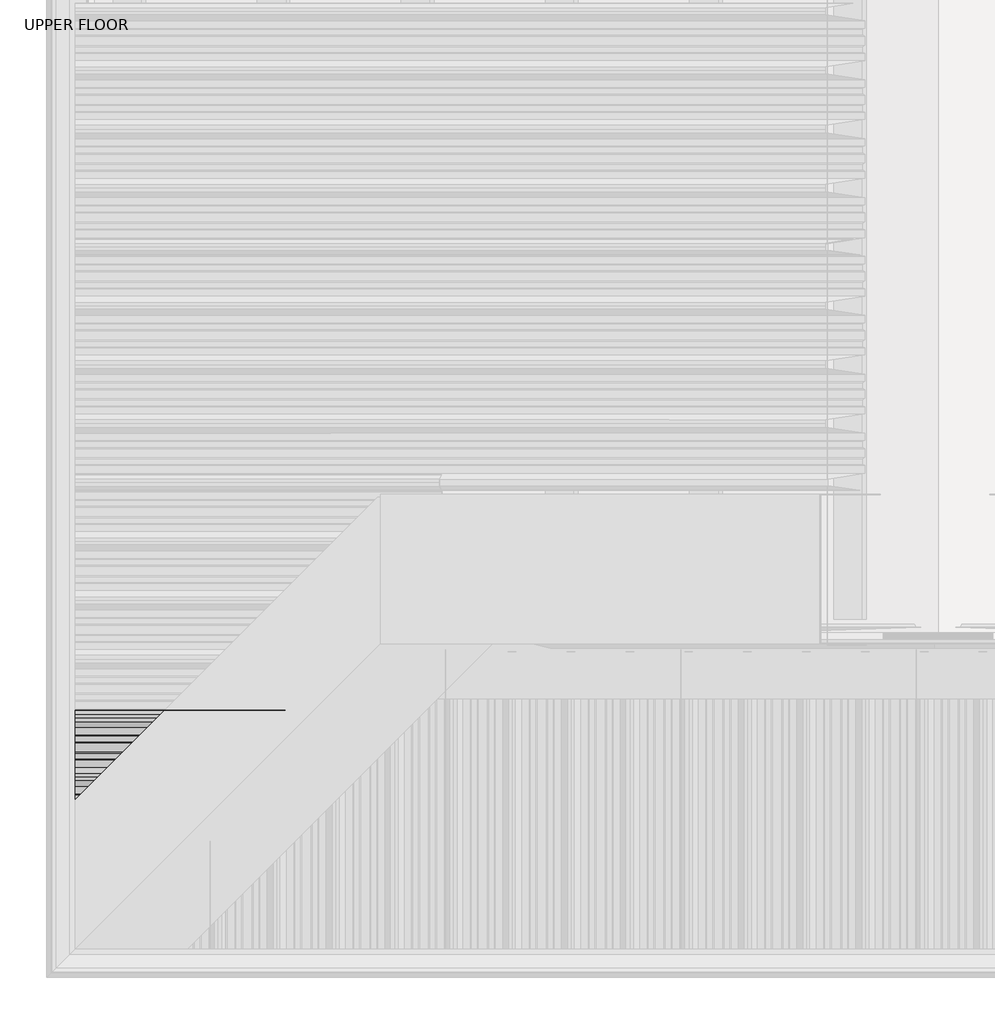
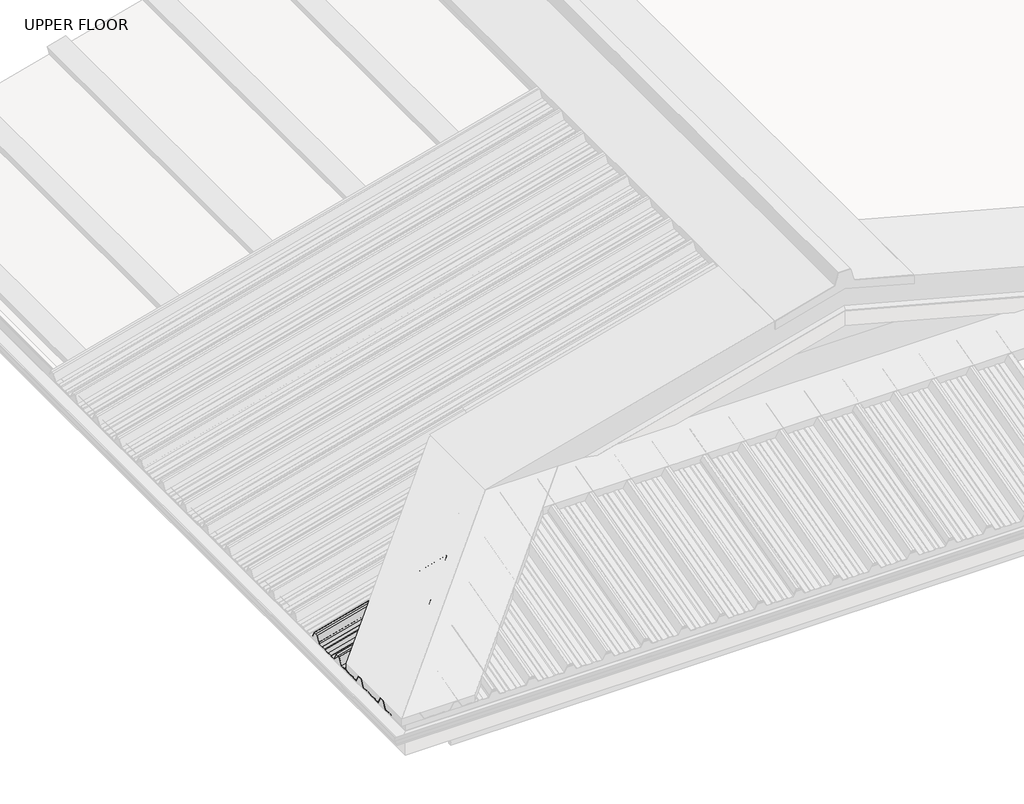
# One storey, part 2 of 21: 1 beam.
"""IFC4 building model written with IfcOpenShell, lengths in millimetres."""

from ifc_helpers import new_model, si_unit, frame, origin, place, context, project, spatial, ellipse_curve, element, save
from ifc_brep_helpers import plane_surface, cylinder_surface, advanced_brep

model = new_model("IFC4")

# Units and contexts
model_context = context("Model", 3, world=origin())
ifc_project = project(units=[si_unit("LENGTHUNIT", "METRE", prefix="MILLI")], contexts=[model_context])

# Site, building, storey
site = spatial("IfcSite", under=ifc_project)
building = spatial("IfcBuilding", under=site)
storey = spatial("IfcBuildingStorey", under=building, Name="UPPER FLOOR", Elevation=2700.0)

# Beam
placement = place(None, origin())
element("IfcBeam", 1, ObjectType="MC700", at=placement, inside=storey, context=model_context, shape_type="AdvancedBrep", body=[
    advanced_brep(
    [(-263.0224112, -4244.795044, 3349.1916307), (-267.402729, -4249.1753617, 3350.1301258), (-592.3448479, -4249.1753617, 3263.0621475), (-592.3448479, -4244.795044, 3260.9499498), (-235.9643895, -4217.7370223, 3356.4418058), (-592.3448479, -4217.7370223, 3260.9499498), (-231.5840718, -4213.3567046, 3359.7277061), (-592.3448479, -4213.3567046, 3263.0621475), (-215.1560805, -4196.9287133, 3364.1295731), (-592.3448479, -4196.9287133, 3263.0621475), (-211.9410364, -4193.7136691, 3362.8788439), (-592.3448479, -4193.7136691, 3260.9499498), (-189.2433988, -4171.0160316, 3368.9606575), (-592.3448479, -4171.0160316, 3260.9499498), (-171.1688888, -4152.9415216, 3405.8972695), (-592.3448479, -4152.9415216, 3293.0435114), (-160.7434004, -4142.5160332, 3408.6907707), (-592.3448479, -4142.5160332, 3293.0435114), (-150.317912, -4132.0905447, 3411.4842719), (-592.3448479, -4132.0905447, 3293.0435114), (-132.243402, -4114.0160347, 3384.2337607), (-592.3448479, -4114.0160347, 3260.9499498), (-109.5457644, -4091.3183972, 3390.3155743), (-592.3448479, -4091.3183972, 3260.9499498), (-106.3307202, -4088.103353, 3393.2892405), (-592.3448479, -4088.103353, 3263.0621475), (-89.902729, -4071.6753617, 3397.6911075), (-592.3448479, -4071.6753617, 3263.0621475), (-85.5224112, -4067.295044, 3396.7526124), (-592.3448479, -4067.295044, 3260.9499498), (-58.4643895, -4040.2370223, 3404.0027875), (-592.3448479, -4040.2370223, 3260.9499498), (-54.0840718, -4035.8567046, 3407.2886878), (-592.3448479, -4035.8567046, 3263.0621475), (-37.6560805, -4019.4287133, 3411.6905547), (-592.3448479, -4019.4287133, 3263.0621475), (-34.4410364, -4016.2136691, 3410.4398255), (-592.3448479, -4016.2136691, 3260.9499498), (-11.7433988, -3993.5160316, 3416.5216392), (-592.3448479, -3993.5160316, 3260.9499498), (6.3311112, -3975.4415216, 3453.4582511), (-592.3448479, -3975.4415216, 3293.0435114), (16.7565996, -3965.0160332, 3456.2517523), (-592.3448479, -3965.0160332, 3293.0435114), (27.182088, -3954.5905447, 3459.0452535), (-592.3448479, -3954.5905447, 3293.0435114), (39.4849027, -3942.2877301, 3440.4965909), (-592.3448479, -3942.2877301, 3271.1983195), (40.3487886, -3941.4238442, 3441.2495242), (-592.3448479, -3941.4238442, 3271.7197752), (27.7565996, -3954.0160332, 3460.2344696), (-592.3448479, -3954.0160332, 3294.0787875), (16.7565996, -3965.0160332, 3457.2870285), (-592.3448479, -3965.0160332, 3294.0787875), (5.7565996, -3976.0160332, 3454.3395874), (-592.3448479, -3976.0160332, 3294.0787875), (-12.3179104, -3994.0905432, 3417.4029755), (-592.3448479, -3994.0905432, 3261.985226), (-34.1505219, -4015.9231546, 3411.5529448), (-592.3448479, -4015.9231546, 3261.985226), (-37.365566, -4019.1381988, 3412.8036741), (-592.3448479, -4019.1381988, 3264.0974237), (-54.3055353, -4036.0781681, 3408.264623), (-592.3448479, -4036.0781681, 3264.0974237), (-58.685853, -4040.4584858, 3404.9787227), (-592.3448479, -4040.4584858, 3261.985226), (-85.3009477, -4067.0735805, 3397.8472295), (-592.3448479, -4067.0735805, 3261.985226), (-89.6812654, -4071.4538982, 3398.7857246), (-592.3448479, -4071.4538982, 3264.0974237), (-106.6212347, -4088.3938675, 3394.2466736), (-592.3448479, -4088.3938675, 3264.0974237), (-109.8362789, -4091.6089117, 3391.2730074), (-592.3448479, -4091.6089117, 3261.985226), (-131.6688904, -4113.4415232, 3385.4229767), (-592.3448479, -4113.4415232, 3261.985226), (-149.7434004, -4131.5160332, 3412.673488), (-592.3448479, -4131.5160332, 3294.0787875), (-160.7434004, -4142.5160332, 3409.7260469), (-592.3448479, -4142.5160332, 3294.0787875), (-171.7434004, -4153.5160332, 3406.7786057), (-592.3448479, -4153.5160332, 3294.0787875), (-189.8179104, -4171.5905432, 3369.8419938), (-592.3448479, -4171.5905432, 3261.985226), (-211.6505219, -4193.4231546, 3363.9919632), (-592.3448479, -4193.4231546, 3261.985226), (-214.865566, -4196.6381988, 3365.2426924), (-592.3448479, -4196.6381988, 3264.0974237), (-231.8055353, -4213.5781681, 3360.7036413), (-592.3448479, -4213.5781681, 3264.0974237), (-236.185853, -4217.9584858, 3357.417741), (-592.3448479, -4217.9584858, 3261.985226), (-262.8009477, -4244.5735805, 3350.2862479), (-592.3448479, -4244.5735805, 3261.985226), (-267.1812654, -4248.9538982, 3351.224743), (-592.3448479, -4248.9538982, 3264.0974237), (-284.1212347, -4265.8938675, 3346.6856919), (-592.3448479, -4265.8938675, 3264.0974237), (-287.3362789, -4269.1089117, 3343.7120257), (-592.3448479, -4269.1089117, 3261.985226), (-309.1688904, -4290.9415232, 3337.8619951), (-592.3448479, -4290.9415232, 3261.985226), (-327.2434004, -4309.0160332, 3365.1125063), (-592.3448479, -4309.0160332, 3294.0787875), (-338.2434004, -4320.0160332, 3362.1650652), (-592.3448479, -4320.0160332, 3294.0787875), (-349.2434004, -4331.0160332, 3359.2176241), (-592.3448479, -4331.0160332, 3294.0787875), (-367.3179104, -4349.0905432, 3322.2810121), (-592.3448479, -4349.0905432, 3261.985226), (-389.1505219, -4370.9231546, 3316.4309815), (-592.3448479, -4370.9231546, 3261.985226), (-392.365566, -4374.1381988, 3317.6817107), (-592.3448479, -4374.1381988, 3264.0974237), (-409.3055353, -4391.0781681, 3313.1426596), (-592.3448479, -4391.0781681, 3264.0974237), (-413.685853, -4395.4584858, 3309.8567594), (-592.3448479, -4395.4584858, 3261.985226), (-440.3009477, -4422.0735805, 3302.7252662), (-592.3448479, -4422.0735805, 3261.985226), (-444.6812654, -4426.4538982, 3303.6637613), (-592.3448479, -4426.4538982, 3264.0974237), (-461.6212347, -4443.3938675, 3299.1247102), (-592.3448479, -4443.3938675, 3264.0974237), (-464.8362789, -4446.6089117, 3296.151044), (-592.3448479, -4446.6089117, 3261.985226), (-486.6688904, -4468.4415232, 3290.3010134), (-592.3448479, -4468.4415232, 3261.985226), (-504.7434004, -4486.5160332, 3317.5515247), (-592.3448479, -4486.5160332, 3294.0787875), (-515.7434004, -4497.5160332, 3314.6040836), (-592.3448479, -4497.5160332, 3294.0787875), (-526.7434004, -4508.5160332, 3311.6566424), (-592.3448479, -4508.5160332, 3294.0787875), (-544.8179104, -4526.5905432, 3274.7200305), (-592.3448479, -4526.5905432, 3261.985226), (-566.6505219, -4548.4231546, 3268.8699999), (-592.3448479, -4548.4231546, 3261.985226), (-569.865566, -4551.6381988, 3270.1207291), (-592.3448479, -4551.6381988, 3264.0974237), (-586.8055353, -4568.5781681, 3265.581678), (-592.3448479, -4568.5781681, 3264.0974237), (-591.185853, -4572.9584858, 3262.2957777), (-592.3448479, -4572.9584858, 3261.985226), (-592.3448479, -4574.1174807, 3261.985226), (-590.9643895, -4572.7370223, 3261.3198425), (-592.3448479, -4574.1174807, 3260.9499498), (-592.3448479, -4572.7370223, 3260.9499498), (-586.5840718, -4568.3567046, 3264.6057428), (-592.3448479, -4568.3567046, 3263.0621475), (-570.1560805, -4551.9287133, 3269.0076098), (-592.3448479, -4551.9287133, 3263.0621475), (-566.9410364, -4548.7136691, 3267.7568806), (-592.3448479, -4548.7136691, 3260.9499498), (-544.2433988, -4526.0160316, 3273.8386942), (-592.3448479, -4526.0160316, 3260.9499498), (-526.1688888, -4507.9415216, 3310.7753062), (-592.3448479, -4507.9415216, 3293.0435114), (-515.7434004, -4497.5160332, 3313.5688074), (-592.3448479, -4497.5160332, 3293.0435114), (-505.317912, -4487.0905447, 3316.3623086), (-592.3448479, -4487.0905447, 3293.0435114), (-487.243402, -4469.0160347, 3289.1117973), (-592.3448479, -4469.0160347, 3260.9499498), (-464.5457644, -4446.3183972, 3295.193611), (-592.3448479, -4446.3183972, 3260.9499498), (-461.3307202, -4443.103353, 3298.1672772), (-592.3448479, -4443.103353, 3263.0621475), (-444.902729, -4426.6753617, 3302.5691442), (-592.3448479, -4426.6753617, 3263.0621475), (-440.5224112, -4422.295044, 3301.6306491), (-592.3448479, -4422.295044, 3260.9499498), (-413.4643895, -4395.2370223, 3308.8808241), (-592.3448479, -4395.2370223, 3260.9499498), (-409.0840718, -4390.8567046, 3312.1667244), (-592.3448479, -4390.8567046, 3263.0621475), (-392.6560805, -4374.4287133, 3316.5685914), (-592.3448479, -4374.4287133, 3263.0621475), (-389.4410364, -4371.2136691, 3315.3178622), (-592.3448479, -4371.2136691, 3260.9499498), (-366.7433988, -4348.5160316, 3321.3996759), (-592.3448479, -4348.5160316, 3260.9499498), (-348.6688888, -4330.4415216, 3358.3362878), (-592.3448479, -4330.4415216, 3293.0435114), (-338.2434004, -4320.0160332, 3361.129789), (-592.3448479, -4320.0160332, 3293.0435114), (-327.817912, -4309.5905447, 3363.9232902), (-592.3448479, -4309.5905447, 3293.0435114), (-309.743402, -4291.5160347, 3336.672779), (-592.3448479, -4291.5160347, 3260.9499498), (-287.0457644, -4268.8183972, 3342.7545926), (-592.3448479, -4268.8183972, 3260.9499498), (-283.8307202, -4265.603353, 3345.7282588), (-592.3448479, -4265.603353, 3263.0621475)],
    [
        (0, 1),
        (1, 2),
        (2, 3),
        (3, 0),
        (4, 0),
        (3, 5),
        (5, 4),
        (6, 4),
        (5, 7),
        (7, 6),
        (8, 6),
        (7, 9),
        (9, 8),
        (10, 8),
        (9, 11),
        (11, 10),
        (12, 10),
        (11, 13),
        (13, 12),
        (14, 12),
        (13, 15),
        (15, 14),
        (16, 14),
        (15, 17),
        (17, 16),
        (18, 16),
        (17, 19),
        (19, 18),
        (20, 18),
        (19, 21),
        (21, 20),
        (22, 20),
        (21, 23),
        (23, 22),
        (24, 22),
        (23, 25),
        (25, 24),
        (26, 24),
        (25, 27),
        (27, 26),
        (28, 26),
        (27, 29),
        (29, 28),
        (30, 28),
        (29, 31),
        (31, 30),
        (32, 30),
        (31, 33),
        (33, 32),
        (34, 32),
        (33, 35),
        (35, 34),
        (36, 34),
        (35, 37),
        (37, 36),
        (38, 36),
        (37, 39),
        (39, 38),
        (40, 38),
        (39, 41),
        (41, 40),
        (42, 40),
        (41, 43),
        (43, 42),
        (44, 42),
        (43, 45),
        (45, 44),
        (46, 44),
        (45, 47),
        (47, 46),
        (48, 46, ellipse_curve(frame((39.9168456, -3941.8557872, 3440.8730576), z_axis=(-0.7071067811865475, 0.7071067811865476, 0.0), x_axis=(0.6612248329466448, 0.6612248329466447, 0.3543493200069156)), 0.7320508, 0.5)),
        (47, 49, ellipse_curve(frame((-592.3448479, -3941.8557872, 3271.4590474), z_axis=(1.0, 0.0, 0.0), x_axis=(0.0, 0.0, 1.0)), 0.5176381, 0.5)),
        (49, 48),
        (50, 48),
        (49, 51),
        (51, 50),
        (52, 50),
        (51, 53),
        (53, 52),
        (54, 52),
        (53, 55),
        (55, 54),
        (56, 54),
        (55, 57),
        (57, 56),
        (58, 56),
        (57, 59),
        (59, 58),
        (60, 58),
        (59, 61),
        (61, 60),
        (62, 60),
        (61, 63),
        (63, 62),
        (64, 62),
        (63, 65),
        (65, 64),
        (66, 64),
        (65, 67),
        (67, 66),
        (68, 66),
        (67, 69),
        (69, 68),
        (70, 68),
        (69, 71),
        (71, 70),
        (72, 70),
        (71, 73),
        (73, 72),
        (74, 72),
        (73, 75),
        (75, 74),
        (76, 74),
        (75, 77),
        (77, 76),
        (78, 76),
        (77, 79),
        (79, 78),
        (80, 78),
        (79, 81),
        (81, 80),
        (82, 80),
        (81, 83),
        (83, 82),
        (84, 82),
        (83, 85),
        (85, 84),
        (86, 84),
        (85, 87),
        (87, 86),
        (88, 86),
        (87, 89),
        (89, 88),
        (90, 88),
        (89, 91),
        (91, 90),
        (92, 90),
        (91, 93),
        (93, 92),
        (94, 92),
        (93, 95),
        (95, 94),
        (96, 94),
        (95, 97),
        (97, 96),
        (98, 96),
        (97, 99),
        (99, 98),
        (100, 98),
        (99, 101),
        (101, 100),
        (102, 100),
        (101, 103),
        (103, 102),
        (104, 102),
        (103, 105),
        (105, 104),
        (106, 104),
        (105, 107),
        (107, 106),
        (108, 106),
        (107, 109),
        (109, 108),
        (110, 108),
        (109, 111),
        (111, 110),
        (112, 110),
        (111, 113),
        (113, 112),
        (114, 112),
        (113, 115),
        (115, 114),
        (116, 114),
        (115, 117),
        (117, 116),
        (118, 116),
        (117, 119),
        (119, 118),
        (120, 118),
        (119, 121),
        (121, 120),
        (122, 120),
        (121, 123),
        (123, 122),
        (124, 122),
        (123, 125),
        (125, 124),
        (126, 124),
        (125, 127),
        (127, 126),
        (128, 126),
        (127, 129),
        (129, 128),
        (130, 128),
        (129, 131),
        (131, 130),
        (132, 130),
        (131, 133),
        (133, 132),
        (134, 132),
        (133, 135),
        (135, 134),
        (136, 134),
        (135, 137),
        (137, 136),
        (138, 136),
        (137, 139),
        (139, 138),
        (140, 138),
        (139, 141),
        (141, 140),
        (142, 140),
        (141, 143),
        (143, 142),
        (144, 142),
        (143, 144),
        (145, 146),
        (146, 147),
        (147, 145),
        (148, 145),
        (147, 149),
        (149, 148),
        (150, 148),
        (149, 151),
        (151, 150),
        (152, 150),
        (151, 153),
        (153, 152),
        (154, 152),
        (153, 155),
        (155, 154),
        (156, 154),
        (155, 157),
        (157, 156),
        (158, 156),
        (157, 159),
        (159, 158),
        (160, 158),
        (159, 161),
        (161, 160),
        (162, 160),
        (161, 163),
        (163, 162),
        (164, 162),
        (163, 165),
        (165, 164),
        (166, 164),
        (165, 167),
        (167, 166),
        (168, 166),
        (167, 169),
        (169, 168),
        (170, 168),
        (169, 171),
        (171, 170),
        (172, 170),
        (171, 173),
        (173, 172),
        (174, 172),
        (173, 175),
        (175, 174),
        (176, 174),
        (175, 177),
        (177, 176),
        (178, 176),
        (177, 179),
        (179, 178),
        (180, 178),
        (179, 181),
        (181, 180),
        (182, 180),
        (181, 183),
        (183, 182),
        (184, 182),
        (183, 185),
        (185, 184),
        (186, 184),
        (185, 187),
        (187, 186),
        (188, 186),
        (187, 189),
        (189, 188),
        (190, 188),
        (189, 191),
        (191, 190),
        (192, 190),
        (191, 193),
        (193, 192),
        (1, 192),
        (193, 2),
        (144, 146),
    ],
    [
        plane_surface(frame((513.819248, -4249.1753617, 3559.4579237), z_axis=(0.23461789175161546, -0.422218860422444, -0.8756058923817268), x_axis=(-0.9659258262890683, 0.0, -0.2588190451025208))),
        plane_surface(frame((514.3472974, -4244.795044, 3557.4872164), z_axis=(0.2588190451025208, 0.0, -0.9659258262890683), x_axis=(-0.9659258262890683, 0.0, -0.2588190451025208))),
        plane_surface(frame((514.3472974, -4217.7370223, 3557.4872164), z_axis=(0.23461789175161712, 0.42221886042244255, -0.8756058923817271), x_axis=(-0.9659258262890683, 0.0, -0.2588190451025208))),
        plane_surface(frame((513.819248, -4213.3567046, 3559.4579237), z_axis=(0.2588190451025208, 0.0, -0.9659258262890683), x_axis=(-0.9659258262890683, 0.0, -0.2588190451025208))),
        plane_surface(frame((513.819248, -4196.9287133, 3559.4579237), z_axis=(0.2185313076918756, -0.5358075541289601, -0.8155699433505507), x_axis=(-0.9659258262890683, 0.0, -0.2588190451025208))),
        plane_surface(frame((514.3472974, -4193.7136691, 3557.4872164), z_axis=(0.2588190451025208, 0.0, -0.9659258262890683), x_axis=(-0.9659258262890683, 0.0, -0.2588190451025208))),
        plane_surface(frame((514.3472974, -4171.0160316, 3557.4872164), z_axis=(0.1303639327417885, 0.8638858976217884, -0.4865248204668407), x_axis=(-0.9659258262890683, 0.0, -0.2588190451025208))),
        plane_surface(frame((506.323907, -4152.9415216, 3587.430917), z_axis=(0.2588190451025208, 0.0, -0.9659258262890683), x_axis=(-0.9659258262890683, 0.0, -0.2588190451025208))),
        plane_surface(frame((506.323907, -4142.5160332, 3587.430917), z_axis=(0.2588190451025208, 0.0, -0.9659258262890683), x_axis=(-0.9659258262890683, 0.0, -0.2588190451025208))),
        plane_surface(frame((506.323907, -4132.0905447, 3587.430917), z_axis=(0.13036393274178268, -0.8638858976217949, -0.48652482046683065), x_axis=(-0.9659258262890683, 0.0, -0.2588190451025208))),
        plane_surface(frame((514.3472974, -4114.0160347, 3557.4872164), z_axis=(0.2588190451025208, 0.0, -0.9659258262890683), x_axis=(-0.9659258262890683, 0.0, -0.2588190451025208))),
        plane_surface(frame((514.3472974, -4091.3183972, 3557.4872164), z_axis=(0.2185313076918808, 0.5358075541289394, -0.8155699433505629), x_axis=(-0.9659258262890683, 0.0, -0.2588190451025208))),
        plane_surface(frame((513.819248, -4088.103353, 3559.4579237), z_axis=(0.2588190451025208, 0.0, -0.9659258262890683), x_axis=(-0.9659258262890683, 0.0, -0.2588190451025208))),
        plane_surface(frame((513.819248, -4071.6753617, 3559.4579237), z_axis=(0.23461789175161585, -0.42221886042244117, -0.8756058923817281), x_axis=(-0.9659258262890683, 0.0, -0.2588190451025208))),
        plane_surface(frame((514.3472974, -4067.295044, 3557.4872164), z_axis=(0.2588190451025208, 0.0, -0.9659258262890683), x_axis=(-0.9659258262890683, 0.0, -0.2588190451025208))),
        plane_surface(frame((514.3472974, -4040.2370223, 3557.4872164), z_axis=(0.23461789175161712, 0.42221886042244255, -0.8756058923817271), x_axis=(-0.9659258262890683, 0.0, -0.2588190451025208))),
        plane_surface(frame((513.819248, -4035.8567046, 3559.4579237), z_axis=(0.2588190451025208, 0.0, -0.9659258262890683), x_axis=(-0.9659258262890683, 0.0, -0.2588190451025208))),
        plane_surface(frame((513.819248, -4019.4287133, 3559.4579237), z_axis=(0.2185313076918756, -0.5358075541289601, -0.8155699433505507), x_axis=(-0.9659258262890683, 0.0, -0.2588190451025208))),
        plane_surface(frame((514.3472974, -4016.2136691, 3557.4872164), z_axis=(0.2588190451025208, 0.0, -0.9659258262890683), x_axis=(-0.9659258262890683, 0.0, -0.2588190451025208))),
        plane_surface(frame((514.3472974, -3993.5160316, 3557.4872164), z_axis=(0.1303639327417885, 0.8638858976217884, -0.4865248204668407), x_axis=(-0.9659258262890683, 0.0, -0.2588190451025208))),
        plane_surface(frame((506.323907, -3975.4415216, 3587.430917), z_axis=(0.2588190451025208, 0.0, -0.9659258262890683), x_axis=(-0.9659258262890683, 0.0, -0.2588190451025208))),
        plane_surface(frame((506.323907, -3965.0160332, 3587.430917), z_axis=(0.2588190451025208, 0.0, -0.9659258262890683), x_axis=(-0.9659258262890683, 0.0, -0.2588190451025208))),
        plane_surface(frame((506.323907, -3954.5905447, 3587.430917), z_axis=(0.13036393274178507, -0.8638858976217895, -0.4865248204668396), x_axis=(-0.9659258262890683, 0.0, -0.2588190451025208))),
        cylinder_surface(frame((-604.0221534, -3941.8557872, 3268.3301228), z_axis=(0.9659258262890683, 0.0, 0.2588190451025208), x_axis=(0.0, 1.0, 0.0)), 0.5),
        plane_surface(frame((511.654841, -3941.4238442, 3567.5356003), z_axis=(-0.13036393274177616, 0.8638858976218096, 0.48652482046680634), x_axis=(-0.9659258262890683, 0.0, -0.2588190451025208))),
        plane_surface(frame((506.0650879, -3954.0160332, 3588.3968428), z_axis=(-0.2588190451025208, 0.0, 0.9659258262890683), x_axis=(-0.9659258262890683, 0.0, -0.2588190451025208))),
        plane_surface(frame((506.0650879, -3965.0160332, 3588.3968428), z_axis=(-0.2588190451025208, 0.0, 0.9659258262890683), x_axis=(-0.9659258262890683, 0.0, -0.2588190451025208))),
        plane_surface(frame((506.0650879, -3976.0160332, 3588.3968428), z_axis=(-0.1303639327417885, -0.8638858976217884, 0.4865248204668407), x_axis=(-0.9659258262890683, 0.0, -0.2588190451025208))),
        plane_surface(frame((514.0884783, -3994.0905432, 3558.4531422), z_axis=(-0.2588190451025208, 0.0, 0.9659258262890683), x_axis=(-0.9659258262890683, 0.0, -0.2588190451025208))),
        plane_surface(frame((514.0884783, -4015.9231546, 3558.4531422), z_axis=(-0.21853130769187823, 0.535807554128944, 0.8155699433505605), x_axis=(-0.9659258262890683, 0.0, -0.2588190451025208))),
        plane_surface(frame((513.5604289, -4019.1381988, 3560.4238495), z_axis=(-0.2588190451025208, 0.0, 0.9659258262890683), x_axis=(-0.9659258262890683, 0.0, -0.2588190451025208))),
        plane_surface(frame((513.5604289, -4036.0781681, 3560.4238495), z_axis=(-0.23461789175161674, -0.4222188604224454, 0.8756058923817257), x_axis=(-0.9659258262890683, 0.0, -0.2588190451025208))),
        plane_surface(frame((514.0884783, -4040.4584858, 3558.4531422), z_axis=(-0.2588190451025208, 0.0, 0.9659258262890683), x_axis=(-0.9659258262890683, 0.0, -0.2588190451025208))),
        plane_surface(frame((514.0884783, -4067.0735805, 3558.4531422), z_axis=(-0.23461789175161613, 0.4222188604224387, 0.8756058923817293), x_axis=(-0.9659258262890683, 0.0, -0.2588190451025208))),
        plane_surface(frame((513.5604289, -4071.4538982, 3560.4238495), z_axis=(-0.2588190451025208, 0.0, 0.9659258262890683), x_axis=(-0.9659258262890683, 0.0, -0.2588190451025208))),
        plane_surface(frame((513.5604289, -4088.3938675, 3560.4238495), z_axis=(-0.21853130769187765, -0.5358075541289586, 0.815569943350551), x_axis=(-0.9659258262890683, 0.0, -0.2588190451025208))),
        plane_surface(frame((514.0884783, -4091.6089117, 3558.4531422), z_axis=(-0.2588190451025208, 0.0, 0.9659258262890683), x_axis=(-0.9659258262890683, 0.0, -0.2588190451025208))),
        plane_surface(frame((514.0884783, -4113.4415232, 3558.4531422), z_axis=(-0.13036393274178257, 0.8638858976217948, 0.48652482046683043), x_axis=(-0.9659258262890683, 0.0, -0.2588190451025208))),
        plane_surface(frame((506.0650879, -4131.5160332, 3588.3968428), z_axis=(-0.2588190451025208, 0.0, 0.9659258262890683), x_axis=(-0.9659258262890683, 0.0, -0.2588190451025208))),
        plane_surface(frame((506.0650879, -4142.5160332, 3588.3968428), z_axis=(-0.2588190451025208, 0.0, 0.9659258262890683), x_axis=(-0.9659258262890683, 0.0, -0.2588190451025208))),
        plane_surface(frame((506.0650879, -4153.5160332, 3588.3968428), z_axis=(-0.13036393274178784, -0.86388589762179, 0.4865248204668379), x_axis=(-0.9659258262890683, 0.0, -0.2588190451025208))),
        plane_surface(frame((514.0884783, -4171.5905432, 3558.4531422), z_axis=(-0.2588190451025208, 0.0, 0.9659258262890683), x_axis=(-0.9659258262890683, 0.0, -0.2588190451025208))),
        plane_surface(frame((514.0884783, -4193.4231546, 3558.4531422), z_axis=(-0.2185313076918756, 0.5358075541289601, 0.8155699433505507), x_axis=(-0.9659258262890683, 0.0, -0.2588190451025208))),
        plane_surface(frame((513.5604289, -4196.6381988, 3560.4238495), z_axis=(-0.2588190451025208, 0.0, 0.9659258262890683), x_axis=(-0.9659258262890683, 0.0, -0.2588190451025208))),
        plane_surface(frame((513.5604289, -4213.5781681, 3560.4238495), z_axis=(-0.2346178917516158, -0.4222188604224532, 0.8756058923817222), x_axis=(-0.9659258262890683, 0.0, -0.2588190451025208))),
        plane_surface(frame((514.0884783, -4217.9584858, 3558.4531422), z_axis=(-0.2588190451025208, 0.0, 0.9659258262890683), x_axis=(-0.9659258262890683, 0.0, -0.2588190451025208))),
        plane_surface(frame((514.0884783, -4244.5735805, 3558.4531422), z_axis=(-0.23461789175161576, 0.4222188604224416, 0.8756058923817279), x_axis=(-0.9659258262890683, 0.0, -0.2588190451025208))),
        plane_surface(frame((513.5604289, -4248.9538982, 3560.4238495), z_axis=(-0.2588190451025208, 0.0, 0.9659258262890683), x_axis=(-0.9659258262890683, 0.0, -0.2588190451025208))),
        plane_surface(frame((513.5604289, -4265.8938675, 3560.4238495), z_axis=(-0.21853130769187665, -0.5358075541289649, 0.8155699433505472), x_axis=(-0.9659258262890683, 0.0, -0.2588190451025208))),
        plane_surface(frame((514.0884783, -4269.1089117, 3558.4531422), z_axis=(-0.2588190451025208, 0.0, 0.9659258262890683), x_axis=(-0.9659258262890683, 0.0, -0.2588190451025208))),
        plane_surface(frame((514.0884783, -4290.9415232, 3558.4531422), z_axis=(-0.13036393274178437, 0.863885897621791, 0.4865248204668372), x_axis=(-0.9659258262890683, 0.0, -0.2588190451025208))),
        plane_surface(frame((506.0650879, -4309.0160332, 3588.3968428), z_axis=(-0.2588190451025208, 0.0, 0.9659258262890683), x_axis=(-0.9659258262890683, 0.0, -0.2588190451025208))),
        plane_surface(frame((506.0650879, -4320.0160332, 3588.3968428), z_axis=(-0.2588190451025208, 0.0, 0.9659258262890683), x_axis=(-0.9659258262890683, 0.0, -0.2588190451025208))),
        plane_surface(frame((506.0650879, -4331.0160332, 3588.3968428), z_axis=(-0.13036393274178892, -0.8638858976217876, 0.48652482046684203), x_axis=(-0.9659258262890683, 0.0, -0.2588190451025208))),
        plane_surface(frame((514.0884783, -4349.0905432, 3558.4531422), z_axis=(-0.2588190451025208, 0.0, 0.9659258262890683), x_axis=(-0.9659258262890683, 0.0, -0.2588190451025208))),
        plane_surface(frame((514.0884783, -4370.9231546, 3558.4531422), z_axis=(-0.21853130769187623, 0.5358075541289561, 0.8155699433505531), x_axis=(-0.9659258262890683, 0.0, -0.2588190451025208))),
        plane_surface(frame((513.5604289, -4374.1381988, 3560.4238495), z_axis=(-0.2588190451025208, 0.0, 0.9659258262890683), x_axis=(-0.9659258262890683, 0.0, -0.2588190451025208))),
        plane_surface(frame((513.5604289, -4391.0781681, 3560.4238495), z_axis=(-0.23461789175161676, -0.42221886042244516, 0.8756058923817258), x_axis=(-0.9659258262890683, 0.0, -0.2588190451025208))),
        plane_surface(frame((514.0884783, -4395.4584858, 3558.4531422), z_axis=(-0.2588190451025208, 0.0, 0.9659258262890683), x_axis=(-0.9659258262890683, 0.0, -0.2588190451025208))),
        plane_surface(frame((514.0884783, -4422.0735805, 3558.4531422), z_axis=(-0.23461789175161485, 0.4222188604224494, 0.8756058923817245), x_axis=(-0.9659258262890683, 0.0, -0.2588190451025208))),
        plane_surface(frame((513.5604289, -4426.4538982, 3560.4238495), z_axis=(-0.2588190451025208, 0.0, 0.9659258262890683), x_axis=(-0.9659258262890683, 0.0, -0.2588190451025208))),
        plane_surface(frame((513.5604289, -4443.3938675, 3560.4238495), z_axis=(-0.21853130769187765, -0.5358075541289586, 0.815569943350551), x_axis=(-0.9659258262890683, 0.0, -0.2588190451025208))),
        plane_surface(frame((514.0884783, -4446.6089117, 3558.4531422), z_axis=(-0.2588190451025208, 0.0, 0.9659258262890683), x_axis=(-0.9659258262890683, 0.0, -0.2588190451025208))),
        plane_surface(frame((514.0884783, -4468.4415232, 3558.4531422), z_axis=(-0.1303639327417841, 0.8638858976217915, 0.48652482046683604), x_axis=(-0.9659258262890683, 0.0, -0.2588190451025208))),
        plane_surface(frame((506.0650879, -4486.5160332, 3588.3968428), z_axis=(-0.2588190451025208, 0.0, 0.9659258262890683), x_axis=(-0.9659258262890683, 0.0, -0.2588190451025208))),
        plane_surface(frame((506.0650879, -4497.5160332, 3588.3968428), z_axis=(-0.2588190451025208, 0.0, 0.9659258262890683), x_axis=(-0.9659258262890683, 0.0, -0.2588190451025208))),
        plane_surface(frame((506.0650879, -4508.5160332, 3588.3968428), z_axis=(-0.13036393274178962, -0.8638858976217859, 0.4865248204668447), x_axis=(-0.9659258262890683, 0.0, -0.2588190451025208))),
        plane_surface(frame((514.0884783, -4526.5905432, 3558.4531422), z_axis=(-0.2588190451025208, 0.0, 0.9659258262890683), x_axis=(-0.9659258262890683, 0.0, -0.2588190451025208))),
        plane_surface(frame((514.0884783, -4548.4231546, 3558.4531422), z_axis=(-0.21853130769187623, 0.5358075541289561, 0.8155699433505531), x_axis=(-0.9659258262890683, 0.0, -0.2588190451025208))),
        plane_surface(frame((513.5604289, -4551.6381988, 3560.4238495), z_axis=(-0.2588190451025208, 0.0, 0.9659258262890683), x_axis=(-0.9659258262890683, 0.0, -0.2588190451025208))),
        plane_surface(frame((513.5604289, -4568.5781681, 3560.4238495), z_axis=(-0.23461789175161646, -0.4222188604224479, 0.8756058923817246), x_axis=(-0.9659258262890683, 0.0, -0.2588190451025208))),
        plane_surface(frame((514.0884783, -4572.9584858, 3558.4531422), z_axis=(-0.2588190451025208, 0.0, 0.9659258262890683), x_axis=(-0.9659258262890683, 0.0, -0.2588190451025208))),
        plane_surface(frame((514.3472974, -4599.795044, 3557.4872164), z_axis=(0.2588190451025208, 0.0, -0.9659258262890683), x_axis=(-0.9659258262890683, 0.0, -0.2588190451025208))),
        plane_surface(frame((514.3472974, -4572.7370223, 3557.4872164), z_axis=(0.2346178917516168, 0.4222188604224452, -0.8756058923817258), x_axis=(-0.9659258262890683, 0.0, -0.2588190451025208))),
        plane_surface(frame((513.819248, -4568.3567046, 3559.4579237), z_axis=(0.2588190451025208, 0.0, -0.9659258262890683), x_axis=(-0.9659258262890683, 0.0, -0.2588190451025208))),
        plane_surface(frame((513.819248, -4551.9287133, 3559.4579237), z_axis=(0.21853130769187556, -0.5358075541289601, -0.8155699433505507), x_axis=(-0.9659258262890683, 0.0, -0.2588190451025208))),
        plane_surface(frame((514.3472974, -4548.7136691, 3557.4872164), z_axis=(0.2588190451025208, 0.0, -0.9659258262890683), x_axis=(-0.9659258262890683, 0.0, -0.2588190451025208))),
        plane_surface(frame((514.3472974, -4526.0160316, 3557.4872164), z_axis=(0.13036393274178784, 0.86388589762179, -0.4865248204668379), x_axis=(-0.9659258262890683, 0.0, -0.2588190451025208))),
        plane_surface(frame((506.323907, -4507.9415216, 3587.430917), z_axis=(0.2588190451025208, 0.0, -0.9659258262890683), x_axis=(-0.9659258262890683, 0.0, -0.2588190451025208))),
        plane_surface(frame((506.323907, -4497.5160332, 3587.430917), z_axis=(0.2588190451025208, 0.0, -0.9659258262890683), x_axis=(-0.9659258262890683, 0.0, -0.2588190451025208))),
        plane_surface(frame((506.323907, -4487.0905447, 3587.430917), z_axis=(0.13036393274178265, -0.8638858976217949, -0.48652482046683065), x_axis=(-0.9659258262890683, 0.0, -0.2588190451025208))),
        plane_surface(frame((514.3472974, -4469.0160347, 3557.4872164), z_axis=(0.2588190451025208, 0.0, -0.9659258262890683), x_axis=(-0.9659258262890683, 0.0, -0.2588190451025208))),
        plane_surface(frame((514.3472974, -4446.3183972, 3557.4872164), z_axis=(0.21853130769187898, 0.5358075541289505, -0.815569943350556), x_axis=(-0.9659258262890683, 0.0, -0.2588190451025208))),
        plane_surface(frame((513.819248, -4443.103353, 3559.4579237), z_axis=(0.2588190451025208, 0.0, -0.9659258262890683), x_axis=(-0.9659258262890683, 0.0, -0.2588190451025208))),
        plane_surface(frame((513.819248, -4426.6753617, 3559.4579237), z_axis=(0.2346178917516155, -0.42221886042244405, -0.8756058923817268), x_axis=(-0.9659258262890683, 0.0, -0.2588190451025208))),
        plane_surface(frame((514.3472974, -4422.295044, 3557.4872164), z_axis=(0.2588190451025208, 0.0, -0.9659258262890683), x_axis=(-0.9659258262890683, 0.0, -0.2588190451025208))),
        plane_surface(frame((514.3472974, -4395.2370223, 3557.4872164), z_axis=(0.23461789175161676, 0.42221886042244516, -0.8756058923817258), x_axis=(-0.9659258262890683, 0.0, -0.2588190451025208))),
        plane_surface(frame((513.819248, -4390.8567046, 3559.4579237), z_axis=(0.2588190451025208, 0.0, -0.9659258262890683), x_axis=(-0.9659258262890683, 0.0, -0.2588190451025208))),
        plane_surface(frame((513.819248, -4374.4287133, 3559.4579237), z_axis=(0.2185313076918756, -0.5358075541289601, -0.8155699433505507), x_axis=(-0.9659258262890683, 0.0, -0.2588190451025208))),
        plane_surface(frame((514.3472974, -4371.2136691, 3557.4872164), z_axis=(0.2588190451025208, 0.0, -0.9659258262890683), x_axis=(-0.9659258262890683, 0.0, -0.2588190451025208))),
        plane_surface(frame((514.3472974, -4348.5160316, 3557.4872164), z_axis=(0.13036393274178856, 0.8638858976217884, -0.4865248204668407), x_axis=(-0.9659258262890683, 0.0, -0.2588190451025208))),
        plane_surface(frame((506.323907, -4330.4415216, 3587.430917), z_axis=(0.2588190451025208, 0.0, -0.9659258262890683), x_axis=(-0.9659258262890683, 0.0, -0.2588190451025208))),
        plane_surface(frame((506.323907, -4320.0160332, 3587.430917), z_axis=(0.2588190451025208, 0.0, -0.9659258262890683), x_axis=(-0.9659258262890683, 0.0, -0.2588190451025208))),
        plane_surface(frame((506.323907, -4309.5905447, 3587.430917), z_axis=(0.13036393274178257, -0.8638858976217948, -0.48652482046683043), x_axis=(-0.9659258262890683, 0.0, -0.2588190451025208))),
        plane_surface(frame((514.3472974, -4291.5160347, 3557.4872164), z_axis=(0.2588190451025208, 0.0, -0.9659258262890683), x_axis=(-0.9659258262890683, 0.0, -0.2588190451025208))),
        plane_surface(frame((514.3472974, -4268.8183972, 3557.4872164), z_axis=(0.2185313076918798, 0.5358075541289457, -0.815569943350559), x_axis=(-0.9659258262890683, 0.0, -0.2588190451025208))),
        plane_surface(frame((513.819248, -4265.603353, 3559.4579237), z_axis=(0.2588190451025208, 0.0, -0.9659258262890683), x_axis=(-0.9659258262890683, 0.0, -0.2588190451025208))),
        plane_surface(frame((1610.5252718, -2371.247361, 4276.036793), z_axis=(0.7071067811865475, -0.7071067811865476, 0.0), x_axis=(0.0, 0.0, -1.0))),
        plane_surface(frame((-592.3448479, -5046.7244148, 4191.6207588), z_axis=(-1.0, 0.0, 0.0), x_axis=(0.0, 0.0, -1.0))),
    ],
    [
        (0, [[1, 2, 3, 4]]),
        (1, [[5, -4, 6, 7]]),
        (2, [[8, -7, 9, 10]]),
        (3, [[11, -10, 12, 13]]),
        (4, [[14, -13, 15, 16]]),
        (5, [[17, -16, 18, 19]]),
        (6, [[20, -19, 21, 22]]),
        (7, [[23, -22, 24, 25]]),
        (8, [[26, -25, 27, 28]]),
        (9, [[29, -28, 30, 31]]),
        (10, [[32, -31, 33, 34]]),
        (11, [[35, -34, 36, 37]]),
        (12, [[38, -37, 39, 40]]),
        (13, [[41, -40, 42, 43]]),
        (14, [[44, -43, 45, 46]]),
        (15, [[47, -46, 48, 49]]),
        (16, [[50, -49, 51, 52]]),
        (17, [[53, -52, 54, 55]]),
        (18, [[56, -55, 57, 58]]),
        (19, [[59, -58, 60, 61]]),
        (20, [[62, -61, 63, 64]]),
        (21, [[65, -64, 66, 67]]),
        (22, [[68, -67, 69, 70]]),
        (23, [[71, -70, 72, 73]]),
        (24, [[74, -73, 75, 76]]),
        (25, [[77, -76, 78, 79]]),
        (26, [[80, -79, 81, 82]]),
        (27, [[83, -82, 84, 85]]),
        (28, [[86, -85, 87, 88]]),
        (29, [[89, -88, 90, 91]]),
        (30, [[92, -91, 93, 94]]),
        (31, [[95, -94, 96, 97]]),
        (32, [[98, -97, 99, 100]]),
        (33, [[101, -100, 102, 103]]),
        (34, [[104, -103, 105, 106]]),
        (35, [[107, -106, 108, 109]]),
        (36, [[110, -109, 111, 112]]),
        (37, [[113, -112, 114, 115]]),
        (38, [[116, -115, 117, 118]]),
        (39, [[119, -118, 120, 121]]),
        (40, [[122, -121, 123, 124]]),
        (41, [[125, -124, 126, 127]]),
        (42, [[128, -127, 129, 130]]),
        (43, [[131, -130, 132, 133]]),
        (44, [[134, -133, 135, 136]]),
        (45, [[137, -136, 138, 139]]),
        (46, [[140, -139, 141, 142]]),
        (47, [[143, -142, 144, 145]]),
        (48, [[146, -145, 147, 148]]),
        (49, [[149, -148, 150, 151]]),
        (50, [[152, -151, 153, 154]]),
        (51, [[155, -154, 156, 157]]),
        (52, [[158, -157, 159, 160]]),
        (53, [[161, -160, 162, 163]]),
        (54, [[164, -163, 165, 166]]),
        (55, [[167, -166, 168, 169]]),
        (56, [[170, -169, 171, 172]]),
        (57, [[173, -172, 174, 175]]),
        (58, [[176, -175, 177, 178]]),
        (59, [[179, -178, 180, 181]]),
        (60, [[182, -181, 183, 184]]),
        (61, [[185, -184, 186, 187]]),
        (62, [[188, -187, 189, 190]]),
        (63, [[191, -190, 192, 193]]),
        (64, [[194, -193, 195, 196]]),
        (65, [[197, -196, 198, 199]]),
        (66, [[200, -199, 201, 202]]),
        (67, [[203, -202, 204, 205]]),
        (68, [[206, -205, 207, 208]]),
        (69, [[209, -208, 210, 211]]),
        (70, [[212, -211, 213, 214]]),
        (71, [[215, -214, 216]]),
        (72, [[217, 218, 219]]),
        (73, [[220, -219, 221, 222]]),
        (74, [[223, -222, 224, 225]]),
        (75, [[226, -225, 227, 228]]),
        (76, [[229, -228, 230, 231]]),
        (77, [[232, -231, 233, 234]]),
        (78, [[235, -234, 236, 237]]),
        (79, [[238, -237, 239, 240]]),
        (80, [[241, -240, 242, 243]]),
        (81, [[244, -243, 245, 246]]),
        (82, [[247, -246, 248, 249]]),
        (83, [[250, -249, 251, 252]]),
        (84, [[253, -252, 254, 255]]),
        (85, [[256, -255, 257, 258]]),
        (86, [[259, -258, 260, 261]]),
        (87, [[262, -261, 263, 264]]),
        (88, [[265, -264, 266, 267]]),
        (89, [[268, -267, 269, 270]]),
        (90, [[271, -270, 272, 273]]),
        (91, [[274, -273, 275, 276]]),
        (92, [[277, -276, 278, 279]]),
        (93, [[280, -279, 281, 282]]),
        (94, [[283, -282, 284, 285]]),
        (95, [[286, -285, 287, 288]]),
        (96, [[289, -288, 290, -2]]),
        (97, [[-1, -5, -8, -11, -14, -17, -20, -23, -26, -29, -32, -35, -38, -41, -44, -47, -50, -53, -56, -59, -62, -65, -68, -71, -74, -77, -80, -83, -86, -89, -92, -95, -98, -101, -104, -107, -110, -113, -116, -119, -122, -125, -128, -131, -134, -137, -140, -143, -146, -149, -152, -155, -158, -161, -164, -167, -170, -173, -176, -179, -182, -185, -188, -191, -194, -197, -200, -203, -206, -209, -212, -215, 291, -217, -220, -223, -226, -229, -232, -235, -238, -241, -244, -247, -250, -253, -256, -259, -262, -265, -268, -271, -274, -277, -280, -283, -286, -289]]),
        (98, [[-3, -290, -287, -284, -281, -278, -275, -272, -269, -266, -263, -260, -257, -254, -251, -248, -245, -242, -239, -236, -233, -230, -227, -224, -221, -218, -291, -216, -213, -210, -207, -204, -201, -198, -195, -192, -189, -186, -183, -180, -177, -174, -171, -168, -165, -162, -159, -156, -153, -150, -147, -144, -141, -138, -135, -132, -129, -126, -123, -120, -117, -114, -111, -108, -105, -102, -99, -96, -93, -90, -87, -84, -81, -78, -75, -72, -69, -66, -63, -60, -57, -54, -51, -48, -45, -42, -39, -36, -33, -30, -27, -24, -21, -18, -15, -12, -9, -6]]),
    ],
),
])

save(model, "model.ifc")
